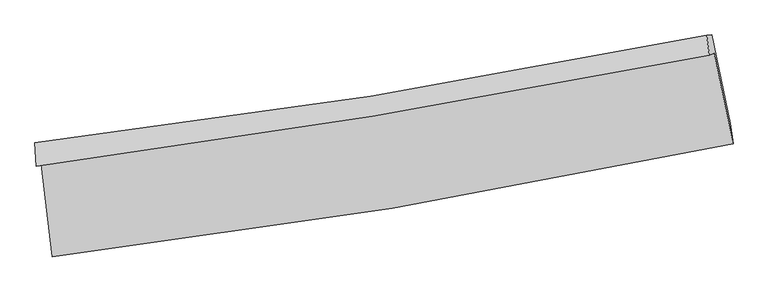
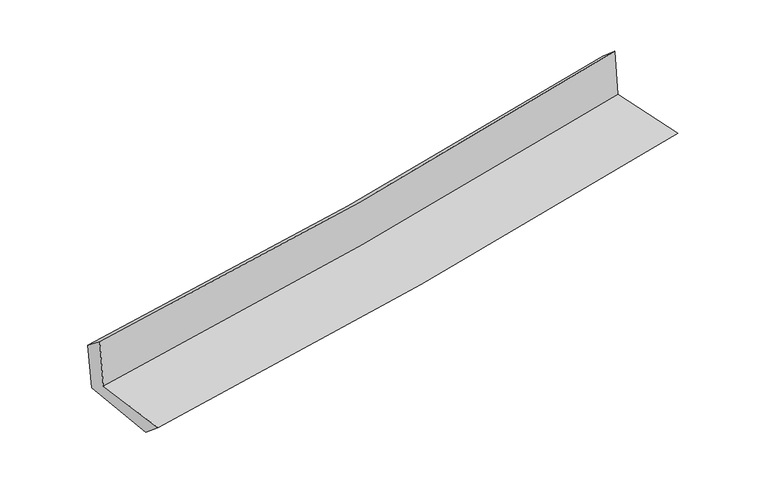
"""IFC4 building model written with IfcOpenShell, lengths in millimetres: proxy geometry."""

from ifc_helpers import new_model, si_unit, frame, origin, place, context, project, spatial, source, transform, mapped, element, save
from ifc_brep_helpers import plane_surface, spline_curve, spline_surface, advanced_brep


def generic_models_b3731d24(model_context):
    return source(origin(), model_context, "Body", "AdvancedBrep", [
        advanced_brep(
        [(-2422.4315763, -1883.8185658, 1671.501416), (-2343.7637568, -2541.716592, 1672.0980258), (2510.0728865, -1736.811172, 2111.2062559), (2375.295546, -1093.2945944, 2112.8307103), (-2458.2930035, -1895.9205063, 2085.0966794), (2340.298531, -1105.1048269, 2516.456578), (-2466.5578582, -1730.9050084, 1957.8317031), (2321.8132253, -962.2406872, 2393.621708), (-2431.1949665, -1730.1523706, 1564.8172748), (2357.1783992, -961.3595381, 2010.6604564), (-2350.422187, -2382.6779157, 1534.9529659), (2490.9290117, -1589.9669085, 1986.4959743)],
        [
            (0, 1),
            (1, 2, spline_curve(3, [(-2343.7637568, -2541.716592, 1672.0980258), (-1533.180067913, -2444.035718479, 1746.846749703), (-725.316402441, -2328.52485603, 1820.643640099), (892.681492361, -2060.566188928, 1967.031368251), (1702.763374935, -1907.775244787, 2039.603887954), (2510.0728865, -1736.811172, 2111.2062559)], [4, 2, 4], [0.0, 8.019566707434937, 16.115934321725017])),
            (2, 3),
            (3, 0, spline_curve(3, [(2375.295546, -1093.2945944, 2112.8307103), (1576.891190311, -1252.940721434, 2034.864499443), (775.961131817, -1398.889756824, 1958.938364873), (-823.328931956, -1662.139122831, 1811.867120193), (-1621.641247547, -1779.698077785, 1740.683489996), (-2422.4315763, -1883.8185658, 1671.501416)], [4, 2, 4], [0.0, 8.096367614290081, 16.115934321725017])),
            (4, 0),
            (3, 5),
            (5, 4, spline_curve(3, [(2340.298531, -1105.1048269, 2516.456578), (1542.617827599, -1264.506747317, 2430.144374081), (741.975148658, -1410.358802457, 2350.903849748), (-857.611290014, -1673.70818437, 2207.250742296), (-1656.499122489, -1791.461355628, 2142.704633812), (-2458.2930035, -1895.9205063, 2085.0966794)], [4, 2, 4], [0.0, 8.048853285631965, 16.02135637807489])),
            (6, 4),
            (5, 7),
            (7, 6, spline_curve(3, [(2321.8132253, -962.2406872, 2393.621708), (1526.288621351, -1124.985800708, 2312.228905721), (727.578695649, -1270.63790419, 2235.063657899), (-868.605143184, -1526.53659928, 2089.880146127), (-1666.018911874, -1637.105936136, 2021.782059374), (-2466.5578582, -1730.9050084, 1957.8317031)], [4, 2, 4], [0.0, 8.038404044752607, 16.00055701621953])),
            (8, 6),
            (7, 9),
            (9, 8, spline_curve(3, [(2357.1783992, -961.3595381, 2010.6604564), (1561.345232126, -1124.140381814, 1930.937137226), (762.481568161, -1269.821076972, 1853.756884061), (-833.700107804, -1525.762474399, 1705.190507894), (-1630.960899054, -1636.346056843, 1633.756366792), (-2431.1949665, -1730.1523706, 1564.8172748)], [4, 2, 4], [0.0, 8.028574328560445, 15.980990827021985])),
            (10, 8),
            (9, 11),
            (11, 10, spline_curve(3, [(2490.9290117, -1589.9669085, 1986.4959743), (1686.323104554, -1758.876474735, 1905.718617695), (878.636976289, -1909.619151364, 1827.534334304), (-735.204916505, -2173.513131964, 1677.068959777), (-1541.302521027, -2287.007457764, 1604.738907341), (-2350.422187, -2382.6779157, 1534.9529659)], [4, 2, 4], [0.0, 8.0759059832522, 16.075205155556745])),
            (1, 10),
            (11, 2),
        ],
        [
            spline_surface(3, 3, [[(-2422.4315763, -1883.8185658, 1671.501416), (-1621.64124752, -1779.698077811, 1740.683490029), (-823.328931929, -1662.139122784, 1811.867120227), (775.96113179, -1398.889756872, 1958.938364839), (1576.89119025, -1252.940721437, 2034.864499445), (2375.295546, -1093.2945944, 2112.8307103)], [(-2396.208969787, -2103.117907879, 1671.700285939), (-1592.154187618, -2001.143958007, 1742.737909929), (-790.658088793, -1884.267700484, 1814.792626846), (814.867918639, -1619.448567588, 1961.636032641), (1618.848585072, -1471.218895917, 2036.444295624), (2420.221326137, -1307.80012028, 2112.289225527)], [(-2369.986363313, -2322.417249921, 1671.899155861), (-1562.667127755, -2222.589838166, 1744.792329811), (-757.987245605, -2106.396278211, 1817.718133475), (853.77470554, -1840.007378332, 1964.333700453), (1660.805979983, -1689.497070355, 2038.024091723), (2465.147106363, -1522.30564612, 2111.747740673)], [(-2343.7637568, -2541.716592, 1672.0980258), (-1533.180067853, -2444.035718362, 1746.846749711), (-725.316402469, -2328.524855911, 1820.643640095), (892.681492389, -2060.566189049, 1967.031368256), (1702.763374806, -1907.775244835, 2039.603887902), (2510.0728865, -1736.811172, 2111.2062559)]], [4, 4], [4, 2, 4], [0.0, 2.207019953673316], [0.0, 8.019566707434937, 16.115934321725017]),
            spline_surface(3, 3, [[(-2458.2930035, -1895.9205063, 2085.0966794), (-1656.499122498, -1791.461355568, 2142.704633863), (-857.611290014, -1673.708184308, 2207.250742296), (741.975148658, -1410.35880252, 2350.903849748), (1542.617827684, -1264.506747295, 2430.144374165), (2340.298531, -1105.1048269, 2516.456578)], [(-2446.339194456, -1891.886526133, 1947.231591601), (-1644.879830861, -1787.540262982, 2008.697585919), (-846.183837295, -1669.85183045, 2075.456201608), (753.303809726, -1406.535787287, 2220.248688113), (1554.04228188, -1260.65140533, 2298.384415899), (2351.964202674, -1101.168082721, 2381.914622074)], [(-2434.385385344, -1887.852545967, 1809.366503799), (-1633.260539157, -1783.619170397, 1874.690537972), (-834.756384648, -1665.995476643, 1943.661660915), (764.632470722, -1402.712772105, 2089.593526473), (1565.466736054, -1256.796063402, 2166.624457711), (2363.629874326, -1097.231338579, 2247.372666226)], [(-2422.4315763, -1883.8185658, 1671.501416), (-1621.64124752, -1779.698077811, 1740.683490029), (-823.328931929, -1662.139122784, 1811.867120227), (775.96113179, -1398.889756872, 1958.938364839), (1576.89119025, -1252.940721437, 2034.864499445), (2375.295546, -1093.2945944, 2112.8307103)]], [4, 4], [4, 2, 4], [0.0, 1.2969273452775483], [0.0, 7.972503092442926, 16.02135637807489]),
            spline_surface(3, 3, [[(-2466.5578582, -1730.9050084, 1957.8317031), (-1666.018912006, -1637.105936207, 2021.782059287), (-868.605143188, -1526.536599272, 2089.880146257), (727.578695653, -1270.637904198, 2235.063657767), (1526.288621316, -1124.985800709, 2312.228905741), (2321.8132253, -962.2406872, 2393.621708)], [(-2463.802906625, -1785.910174372, 2000.253361878), (-1662.845648828, -1688.557742666, 2062.089584158), (-864.940525488, -1575.593794285, 2129.003678267), (732.377513296, -1317.211536973, 2273.677055091), (1531.731690099, -1171.492782906, 2351.534061891), (2327.97499386, -1009.862067102, 2434.566664675)], [(-2461.047955075, -1840.915340328, 2042.675020622), (-1659.672385676, -1740.009549109, 2102.397108993), (-861.275907714, -1624.650989295, 2168.127210286), (737.176331014, -1363.785169745, 2312.290452424), (1537.174758901, -1217.999765098, 2390.839218015), (2334.13676244, -1057.483446998, 2475.511621325)], [(-2458.2930035, -1895.9205063, 2085.0966794), (-1656.499122498, -1791.461355568, 2142.704633863), (-857.611290014, -1673.708184308, 2207.250742296), (741.975148658, -1410.35880252, 2350.903849748), (1542.617827684, -1264.506747295, 2430.144374165), (2340.298531, -1105.1048269, 2516.456578)]], [4, 4], [4, 2, 4], [0.0, 0.6078277116383403], [0.0, 7.962152971466925, 16.00055701621953]),
            spline_surface(3, 3, [[(-2431.1949665, -1730.1523706, 1564.8172748), (-1630.960899183, -1636.346056756, 1633.756366884), (-833.700107925, -1525.76247439, 1705.19050777), (762.481568284, -1269.821076982, 1853.756884185), (1561.345232258, -1124.140381873, 1930.937137172), (2357.1783992, -961.3595381, 2010.6604564)], [(-2442.982597056, -1730.403249857, 1695.822084228), (-1642.646903446, -1636.599349896, 1763.098264346), (-845.335119682, -1526.020516041, 1833.420387268), (750.847277404, -1270.093352745, 1980.859142049), (1549.659695296, -1124.422188167, 2058.034393371), (2345.390007919, -961.653254481, 2138.314206943)], [(-2454.770227644, -1730.654129143, 1826.826893672), (-1654.332907742, -1636.852643067, 1892.440161825), (-856.970131431, -1526.27855762, 1961.650266759), (739.212986533, -1270.365628435, 2107.961399904), (1537.974158277, -1124.703994415, 2185.131649542), (2333.601616581, -961.946970819, 2265.967957457)], [(-2466.5578582, -1730.9050084, 1957.8317031), (-1666.018912006, -1637.105936207, 2021.782059287), (-868.605143188, -1526.536599272, 2089.880146257), (727.578695653, -1270.637904198, 2235.063657767), (1526.288621316, -1124.985800709, 2312.228905741), (2321.8132253, -962.2406872, 2393.621708)]], [4, 4], [4, 2, 4], [0.0, 1.2617134458085797], [0.0, 7.952416498461541, 15.980990827021985]),
            spline_surface(3, 3, [[(-2350.422187, -2382.6779157, 1534.9529659), (-1541.30252115, -2287.007457643, 1604.738907219), (-735.204916492, -2173.513131865, 1677.068959793), (878.636976275, -1909.619151464, 1827.534334288), (1686.323104484, -1758.876474848, 1905.718617804), (2490.9290117, -1589.9669085, 1986.4959743)], [(-2377.346446825, -2165.169400683, 1544.907735543), (-1571.188647152, -2070.120324031, 1614.411393784), (-768.036646944, -1957.596246018, 1686.442809123), (839.91850697, -1696.353126614, 1836.275184258), (1644.663813735, -1547.297777198, 1914.124790912), (2446.345474193, -1380.431118374, 1994.550801652)], [(-2404.270706675, -1947.660885617, 1554.862505157), (-1601.07477318, -1853.233190368, 1624.083880319), (-800.868377473, -1741.679360237, 1695.816658441), (801.200037589, -1483.087101831, 1845.016034216), (1603.004523007, -1335.719079524, 1922.530964065), (2401.761936707, -1170.895328226, 2002.605629048)], [(-2431.1949665, -1730.1523706, 1564.8172748), (-1630.960899183, -1636.346056756, 1633.756366884), (-833.700107925, -1525.76247439, 1705.19050777), (762.481568284, -1269.821076982, 1853.756884185), (1561.345232258, -1124.140381873, 1930.937137172), (2357.1783992, -961.3595381, 2010.6604564)]], [4, 4], [4, 2, 4], [0.0, 2.1430469474119374], [0.0, 7.999299172304545, 16.075205155556745]),
            spline_surface(3, 3, [[(-2343.7637568, -2541.716592, 1672.0980258), (-1533.180067853, -2444.035718362, 1746.846749711), (-725.316402469, -2328.524855911, 1820.643640095), (892.681492389, -2060.566189049, 1967.031368256), (1702.763374806, -1907.775244835, 2039.603887902), (2510.0728865, -1736.811172, 2111.2062559)], [(-2345.983233551, -2488.703699876, 1626.38300581), (-1535.887552303, -2391.692964765, 1699.477468857), (-728.612573814, -2276.854281252, 1772.785413325), (887.999987014, -2010.250509876, 1920.532356931), (1697.283284715, -1858.14232148, 1994.975464532), (2503.691594916, -1687.86308414, 2069.63616203)], [(-2348.202710249, -2435.690807824, 1580.66798589), (-1538.5950367, -2339.350211239, 1652.108188073), (-731.908745147, -2225.183706524, 1724.927186562), (883.318481651, -1959.934830636, 1874.033345612), (1691.803194575, -1808.509398204, 1950.347041173), (2497.310303284, -1638.91499636, 2028.06606817)], [(-2350.422187, -2382.6779157, 1534.9529659), (-1541.30252115, -2287.007457643, 1604.738907219), (-735.204916492, -2173.513131865, 1677.068959793), (878.636976275, -1909.619151464, 1827.534334288), (1686.323104484, -1758.876474848, 1905.718617804), (2490.9290117, -1589.9669085, 1986.4959743)]], [4, 4], [4, 2, 4], [0.0, 0.6848022814006582], [0.0, 8.05612389169468, 16.189398787077117]),
            plane_surface(frame((2399.2646, -1241.4629545, 2188.5452805), z_axis=(0.974794288986701, 0.20393132418333976, 0.0904881714686609), x_axis=(-0.09195510946408261, -0.0022911287355575926, 0.9957605176811168))),
            plane_surface(frame((-2412.1105581, -2027.5318265, 1747.7163442), z_axis=(-0.988958082422152, -0.11833505714257525, -0.08921168904893495), x_axis=(-0.11872865727460587, 0.9929263291764169, -0.0009004276845784499))),
        ],
        [
            (0, [[1, 2, 3, 4]]),
            (1, [[5, -4, 6, 7]]),
            (2, [[8, -7, 9, 10]]),
            (3, [[11, -10, 12, 13]]),
            (4, [[14, -13, 15, 16]]),
            (5, [[17, -16, 18, -2]]),
            (6, [[-12, -9, -6, -3, -18, -15]]),
            (7, [[-1, -5, -8, -11, -14, -17]]),
        ],
    ),
    ])


if __name__ == "__main__":
    model = new_model("IFC4")
    model_context = context("Model", 3, world=origin())
    ifc_project = project(units=[si_unit("LENGTHUNIT", "METRE", prefix="MILLI")], contexts=[model_context])
    site = spatial("IfcSite", under=ifc_project)
    building = spatial("IfcBuilding", under=site)
    placement = place(None, origin())
    generic_models_shape = generic_models_b3731d24(model_context)
    element("IfcBuildingElementProxy", 1, Name="Generic Models", at=placement, inside=building, context=model_context, shape_type="MappedRepresentation", body=[
        mapped(generic_models_shape, transform((0.0, 0.0, 0.0), x_axis=(1.0, 0.0, 0.0), y_axis=(0.0, 1.0, 0.0), z_axis=(0.0, 0.0, 1.0))),
    ])
    save(model, "model.ifc")
